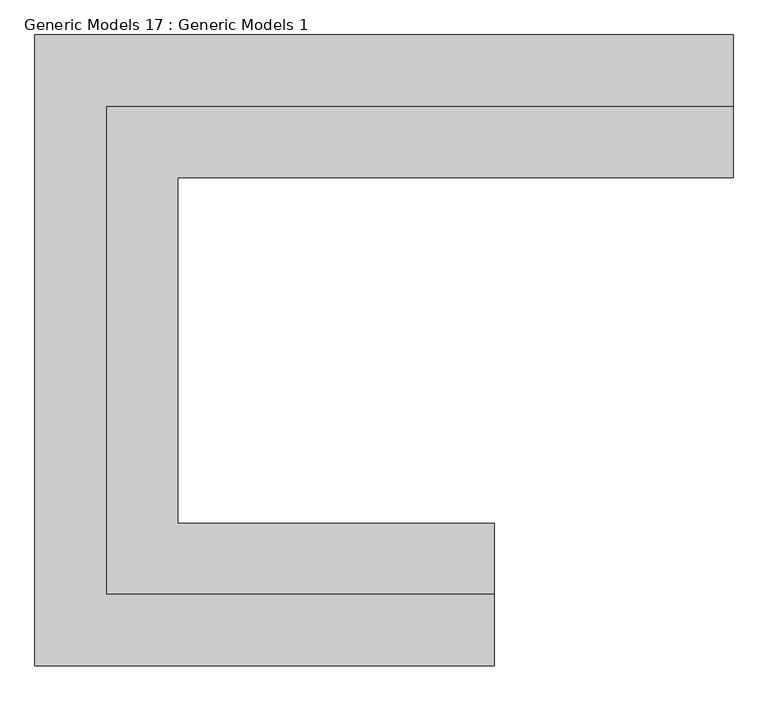
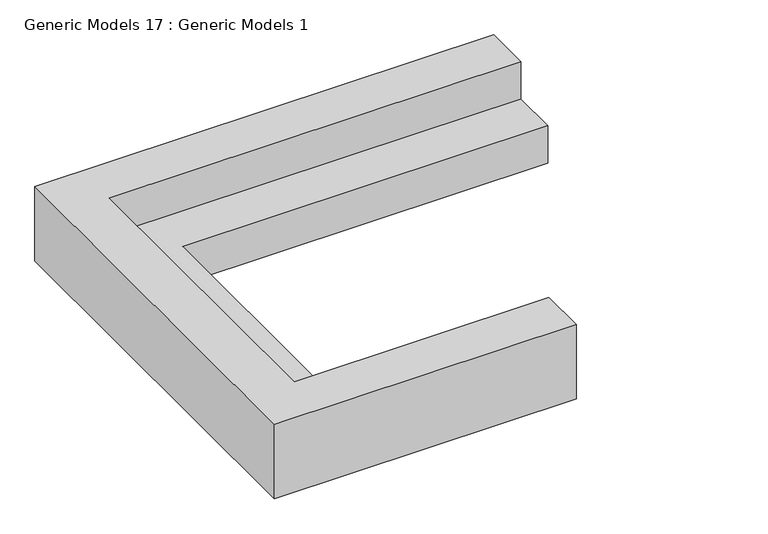
"""IFC4 building model written with IfcOpenShell, lengths in millimetres: proxy geometry, Generic Models 17 : Generic Models 1."""

from ifc_helpers import new_model, si_unit, origin, origin_with_axes, place, context, project, spatial, polyline, outline, extrude, source, transform, mapped, element, save


def generic_models_17_generic_models_1_dda3ee17(model_context):
    return source(origin(), model_context, "Body", "SweptSolid", [
        extrude(outline(polyline([(451838.8004676, -276267.0488632), (451838.8004676, -272960.3205223), (456080.6004676, -272960.3205223), (456080.6004676, -273442.9205223), (452321.4004676, -273442.9205223), (452321.4004676, -275784.4488632), (454462.9250807, -275784.4488632), (454462.9250807, -276267.0488632), (451838.8004676, -276267.0488632)])), origin_with_axes(), (0.0, 0.0, 1.0), 406.4),
        extrude(outline(polyline([(451838.8004676, -272960.3205223), (451838.8004676, -276267.0488632), (454462.9250807, -276267.0488632), (454462.9250807, -276749.6488632), (451356.2004676, -276749.6488632), (451356.2004676, -272477.7205223), (456080.6004676, -272477.7205223), (456080.6004676, -272960.3205223), (451838.8004676, -272960.3205223)])), origin_with_axes(), (0.0, 0.0, 1.0), 812.8),
    ])


if __name__ == "__main__":
    model = new_model("IFC4")
    model_context = context("Model", 3, world=origin())
    ifc_project = project(units=[si_unit("LENGTHUNIT", "METRE", prefix="MILLI")], contexts=[model_context])
    site = spatial("IfcSite", under=ifc_project)
    building = spatial("IfcBuilding", under=site)
    placement = place(None, origin())
    generic_models_17_generic_models_1_shape = generic_models_17_generic_models_1_dda3ee17(model_context)
    element("IfcBuildingElementProxy", 1, Name="Generic Models 17 : Generic Models 1", ObjectType="Generic Models 17 : Generic Models 1", at=placement, inside=building, context=model_context, shape_type="MappedRepresentation", body=[
        mapped(generic_models_17_generic_models_1_shape, transform((0.0, 0.0, 0.0), x_axis=(1.0, 0.0, 0.0), y_axis=(0.0, 1.0, 0.0), z_axis=(0.0, 0.0, 1.0))),
    ])
    save(model, "model.ifc")
